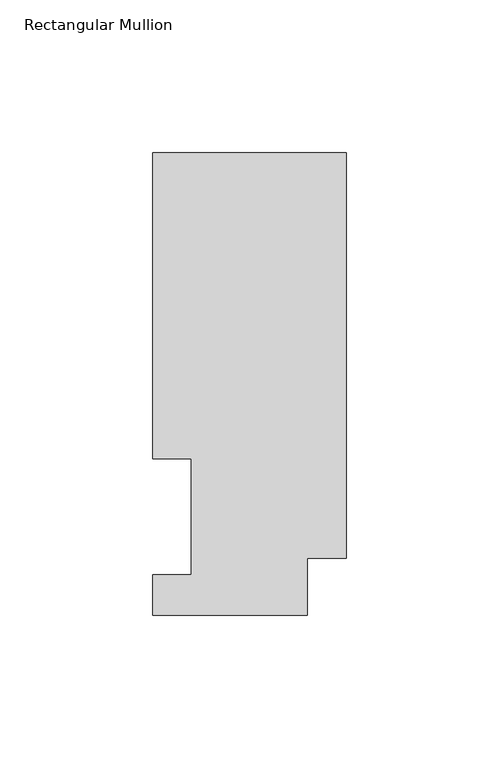
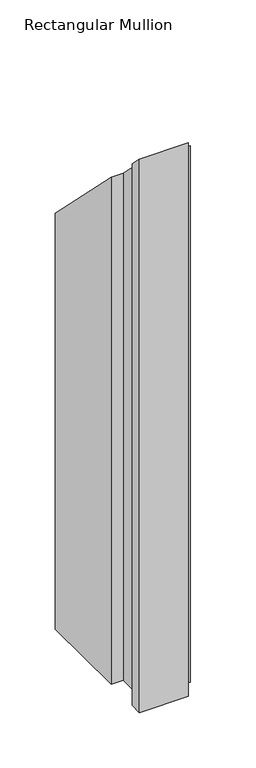
"""IFC4 building model written with IfcOpenShell, lengths in millimetres: member geometry, Rectangular Mullion."""

from ifc_helpers import new_model, si_unit, origin, place, context, project, spatial, faceted_brep, source, transform, mapped, element, save


def rectangular_mullion_a2f9cb18(model_context):
    return source(origin(), model_context, "Body", "Brep", [
        faceted_brep([(-63.5, 151.7022937, -609.6), (0.0, 151.7022937, -609.6), (0.0, 18.7332937, -609.6), (-12.7, 18.7332937, -609.6), (-12.7, 0.0134937, -609.6), (-63.5, 0.0134937, -609.6), (-63.5, 13.1960938, -609.6), (-50.8, 13.1960938, -609.6), (-50.8, 51.2960938, -609.6), (-63.5, 51.2960937, -609.6), (-63.5, 51.2960937, -51.2960937), (-63.5, 151.7022937, -151.7022937), (-50.8, 51.2960937, -51.2960937), (-50.8, 13.1960938, -13.1960938), (-63.5, 13.1960938, -13.1960938), (-63.5, 0.0134937, -0.0134937), (-12.7, 0.0134937, -0.0134937), (-12.7, 18.7332937, -18.7332937), (0.0, 18.7332937, -18.7332937), (0.0, 151.7022937, -151.7022937)], [[[0, 1, 2, 3, 4, 5, 6, 7, 8, 9]], [[10, 11, 0, 9]], [[12, 10, 9, 8]], [[13, 12, 8, 7]], [[14, 13, 7, 6]], [[15, 14, 6, 5]], [[16, 15, 5, 4]], [[17, 16, 4, 3]], [[18, 17, 3, 2]], [[19, 18, 2, 1]], [[11, 19, 1, 0]], [[11, 10, 12, 13, 14, 15, 16, 17, 18, 19]]]),
    ])


if __name__ == "__main__":
    model = new_model("IFC4")
    model_context = context("Model", 3, world=origin())
    ifc_project = project(units=[si_unit("LENGTHUNIT", "METRE", prefix="MILLI")], contexts=[model_context])
    site = spatial("IfcSite", under=ifc_project)
    building = spatial("IfcBuilding", under=site)
    placement = place(None, origin())
    rectangular_mullion_shape = rectangular_mullion_a2f9cb18(model_context)
    element("IfcMember", 1, ObjectType="Rectangular Mullion", at=placement, inside=building, context=model_context, shape_type="MappedRepresentation", body=[
        mapped(rectangular_mullion_shape, transform((0.0, 0.0, 0.0), x_axis=(1.0, 0.0, 0.0), y_axis=(0.0, 1.0, 0.0), z_axis=(0.0, 0.0, 1.0))),
    ])
    save(model, "model.ifc")
